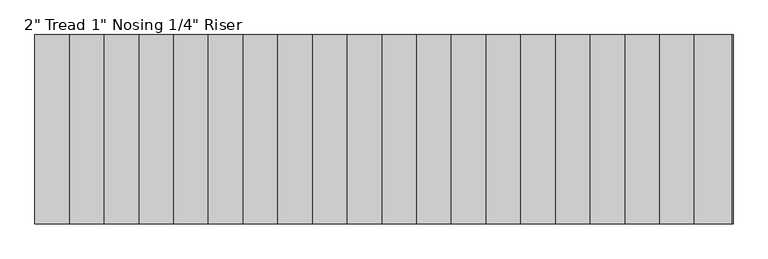
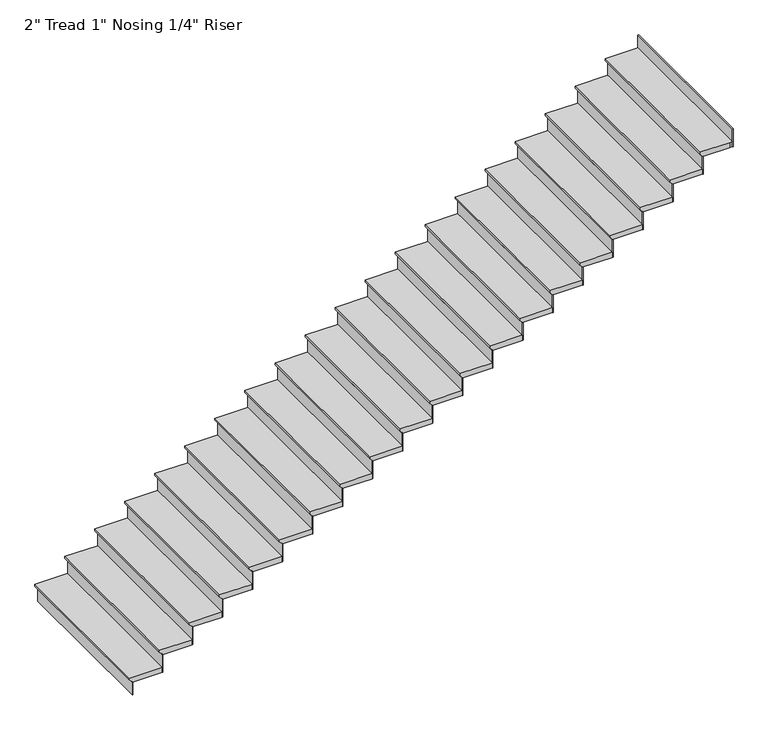
"""IFC4 building model written with IfcOpenShell, lengths in millimetres: stair flight geometry."""

from ifc_helpers import new_model, si_unit, origin, place, context, project, spatial, faceted_brep, source, transform, mapped, element, save


def stair_flight_4bc3ae99(model_context):
    return source(origin(), model_context, "Body", "Brep", [
        faceted_brep([(28329.3222188, -13326.4219315, -13103.147561), (28329.3222188, -13326.4219315, -13084.097561), (28329.3222188, -11802.4219315, -13084.097561), (28329.3222188, -11802.4219315, -13103.147561), (28354.7222188, -13326.4219315, -13128.547561), (28354.7222188, -11802.4219315, -13128.547561), (28634.1222188, -13326.4219315, -13084.097561), (28634.1222188, -11802.4219315, -13084.097561), (28354.7222188, -11802.4219315, -13134.897561), (28634.1222188, -11802.4219315, -13134.897561), (28634.1222188, -13326.4219315, -13134.897561), (28354.7222188, -13326.4219315, -13134.897561)], [[[0, 1, 2, 3]], [[4, 0, 3, 5]], [[2, 1, 6, 7]], [[8, 9, 10, 11]], [[2, 7, 9, 8, 5, 3]], [[8, 11, 4, 5]], [[6, 1, 0, 4, 11, 10]], [[7, 6, 10, 9]]]),
        faceted_brep([(28354.7222188, -13326.4219315, -13134.897561), (28354.7222188, -13326.4219315, -13258.8), (28361.0722188, -13326.4219315, -13258.8), (28361.0722188, -13326.4219315, -13134.897561), (28354.7222188, -11802.4219315, -13134.897561), (28361.0722188, -11802.4219315, -13134.897561), (28361.0722188, -11802.4219315, -13258.8), (28354.7222188, -11802.4219315, -13258.8)], [[[0, 1, 2, 3]], [[4, 5, 6, 7]], [[1, 0, 4, 7]], [[2, 1, 7, 6]], [[3, 2, 6, 5]], [[0, 3, 5, 4]]]),
        faceted_brep([(28634.1222188, -13326.4219315, -12960.195122), (28634.1222188, -13326.4219315, -13134.897561), (28640.4722188, -13326.4219315, -13134.897561), (28640.4722188, -13326.4219315, -12960.195122), (28634.1222188, -11802.4219315, -12960.195122), (28640.4722188, -11802.4219315, -12960.195122), (28640.4722188, -11802.4219315, -13134.897561), (28634.1222188, -11802.4219315, -13134.897561)], [[[0, 1, 2, 3]], [[4, 5, 6, 7]], [[1, 0, 4, 7]], [[2, 1, 7, 6]], [[3, 2, 6, 5]], [[0, 3, 5, 4]]]),
        faceted_brep([(28608.7222188, -11802.4219315, -12909.395122), (28608.7222188, -13326.4219315, -12909.395122), (28913.5222188, -13326.4219315, -12909.395122), (28913.5222188, -11802.4219315, -12909.395122), (28634.1222188, -11802.4219315, -12960.195122), (28913.5222188, -11802.4219315, -12960.195122), (28913.5222188, -13326.4219315, -12960.195122), (28634.1222188, -13326.4219315, -12960.195122), (28634.1222188, -11802.4219315, -12953.845122), (28608.7222188, -11802.4219315, -12928.445122), (28634.1222188, -13326.4219315, -12953.845122), (28608.7222188, -13326.4219315, -12928.445122)], [[[0, 1, 2, 3]], [[4, 5, 6, 7]], [[0, 3, 5, 4, 8, 9]], [[4, 7, 10, 8]], [[2, 1, 11, 10, 7, 6]], [[3, 2, 6, 5]], [[11, 1, 0, 9]], [[10, 11, 9, 8]]]),
        faceted_brep([(28913.5222188, -13326.4219315, -12785.4926829), (28913.5222188, -13326.4219315, -12960.195122), (28919.8722188, -13326.4219315, -12960.195122), (28919.8722188, -13326.4219315, -12785.4926829), (28913.5222188, -11802.4219315, -12785.4926829), (28919.8722188, -11802.4219315, -12785.4926829), (28919.8722188, -11802.4219315, -12960.195122), (28913.5222188, -11802.4219315, -12960.195122)], [[[0, 1, 2, 3]], [[4, 5, 6, 7]], [[1, 0, 4, 7]], [[2, 1, 7, 6]], [[3, 2, 6, 5]], [[0, 3, 5, 4]]]),
        faceted_brep([(28888.1222188, -11802.4219315, -12734.6926829), (28888.1222188, -13326.4219315, -12734.6926829), (29192.9222188, -13326.4219315, -12734.6926829), (29192.9222188, -11802.4219315, -12734.6926829), (28913.5222188, -11802.4219315, -12785.4926829), (29192.9222188, -11802.4219315, -12785.4926829), (29192.9222188, -13326.4219315, -12785.4926829), (28913.5222188, -13326.4219315, -12785.4926829), (28913.5222188, -11802.4219315, -12779.1426829), (28888.1222188, -11802.4219315, -12753.7426829), (28913.5222188, -13326.4219315, -12779.1426829), (28888.1222188, -13326.4219315, -12753.7426829)], [[[0, 1, 2, 3]], [[4, 5, 6, 7]], [[0, 3, 5, 4, 8, 9]], [[4, 7, 10, 8]], [[2, 1, 11, 10, 7, 6]], [[3, 2, 6, 5]], [[11, 1, 0, 9]], [[10, 11, 9, 8]]]),
        faceted_brep([(29192.9222188, -13326.4219315, -12610.7902439), (29192.9222188, -13326.4219315, -12785.4926829), (29199.2722188, -13326.4219315, -12785.4926829), (29199.2722188, -13326.4219315, -12610.7902439), (29192.9222188, -11802.4219315, -12610.7902439), (29199.2722188, -11802.4219315, -12610.7902439), (29199.2722188, -11802.4219315, -12785.4926829), (29192.9222188, -11802.4219315, -12785.4926829)], [[[0, 1, 2, 3]], [[4, 5, 6, 7]], [[1, 0, 4, 7]], [[2, 1, 7, 6]], [[3, 2, 6, 5]], [[0, 3, 5, 4]]]),
        faceted_brep([(29167.5222188, -11802.4219315, -12559.9902439), (29167.5222188, -13326.4219315, -12559.9902439), (29472.3222188, -13326.4219315, -12559.9902439), (29472.3222188, -11802.4219315, -12559.9902439), (29192.9222188, -11802.4219315, -12610.7902439), (29472.3222188, -11802.4219315, -12610.7902439), (29472.3222188, -13326.4219315, -12610.7902439), (29192.9222188, -13326.4219315, -12610.7902439), (29192.9222188, -11802.4219315, -12604.4402439), (29167.5222188, -11802.4219315, -12579.0402439), (29192.9222188, -13326.4219315, -12604.4402439), (29167.5222188, -13326.4219315, -12579.0402439)], [[[0, 1, 2, 3]], [[4, 5, 6, 7]], [[0, 3, 5, 4, 8, 9]], [[4, 7, 10, 8]], [[2, 1, 11, 10, 7, 6]], [[3, 2, 6, 5]], [[11, 1, 0, 9]], [[10, 11, 9, 8]]]),
        faceted_brep([(29472.3222188, -13326.4219315, -12436.0878049), (29472.3222188, -13326.4219315, -12610.7902439), (29478.6722188, -13326.4219315, -12610.7902439), (29478.6722188, -13326.4219315, -12436.0878049), (29472.3222188, -11802.4219315, -12436.0878049), (29478.6722188, -11802.4219315, -12436.0878049), (29478.6722188, -11802.4219315, -12610.7902439), (29472.3222188, -11802.4219315, -12610.7902439)], [[[0, 1, 2, 3]], [[4, 5, 6, 7]], [[1, 0, 4, 7]], [[2, 1, 7, 6]], [[3, 2, 6, 5]], [[0, 3, 5, 4]]]),
        faceted_brep([(29446.9222188, -11802.4219315, -12385.2878049), (29446.9222188, -13326.4219315, -12385.2878049), (29751.7222188, -13326.4219315, -12385.2878049), (29751.7222188, -11802.4219315, -12385.2878049), (29472.3222188, -11802.4219315, -12436.0878049), (29751.7222188, -11802.4219315, -12436.0878049), (29751.7222188, -13326.4219315, -12436.0878049), (29472.3222188, -13326.4219315, -12436.0878049), (29472.3222188, -11802.4219315, -12429.7378049), (29446.9222188, -11802.4219315, -12404.3378049), (29472.3222188, -13326.4219315, -12429.7378049), (29446.9222188, -13326.4219315, -12404.3378049)], [[[0, 1, 2, 3]], [[4, 5, 6, 7]], [[0, 3, 5, 4, 8, 9]], [[4, 7, 10, 8]], [[2, 1, 11, 10, 7, 6]], [[3, 2, 6, 5]], [[11, 1, 0, 9]], [[10, 11, 9, 8]]]),
        faceted_brep([(29751.7222188, -13326.4219315, -12261.3853659), (29751.7222188, -13326.4219315, -12436.0878049), (29758.0722188, -13326.4219315, -12436.0878049), (29758.0722188, -13326.4219315, -12261.3853659), (29751.7222188, -11802.4219315, -12261.3853659), (29758.0722188, -11802.4219315, -12261.3853659), (29758.0722188, -11802.4219315, -12436.0878049), (29751.7222188, -11802.4219315, -12436.0878049)], [[[0, 1, 2, 3]], [[4, 5, 6, 7]], [[1, 0, 4, 7]], [[2, 1, 7, 6]], [[3, 2, 6, 5]], [[0, 3, 5, 4]]]),
        faceted_brep([(29726.3222188, -11802.4219315, -12210.5853659), (29726.3222188, -13326.4219315, -12210.5853659), (30031.1222188, -13326.4219315, -12210.5853659), (30031.1222188, -11802.4219315, -12210.5853659), (29751.7222188, -11802.4219315, -12261.3853659), (30031.1222188, -11802.4219315, -12261.3853659), (30031.1222188, -13326.4219315, -12261.3853659), (29751.7222188, -13326.4219315, -12261.3853659), (29751.7222188, -11802.4219315, -12255.0353659), (29726.3222188, -11802.4219315, -12229.6353659), (29751.7222188, -13326.4219315, -12255.0353659), (29726.3222188, -13326.4219315, -12229.6353659)], [[[0, 1, 2, 3]], [[4, 5, 6, 7]], [[0, 3, 5, 4, 8, 9]], [[4, 7, 10, 8]], [[2, 1, 11, 10, 7, 6]], [[3, 2, 6, 5]], [[11, 1, 0, 9]], [[10, 11, 9, 8]]]),
        faceted_brep([(30031.1222188, -13326.4219315, -12086.6829268), (30031.1222188, -13326.4219315, -12261.3853659), (30037.4722188, -13326.4219315, -12261.3853659), (30037.4722188, -13326.4219315, -12086.6829268), (30031.1222188, -11802.4219315, -12086.6829268), (30037.4722188, -11802.4219315, -12086.6829268), (30037.4722188, -11802.4219315, -12261.3853659), (30031.1222188, -11802.4219315, -12261.3853659)], [[[0, 1, 2, 3]], [[4, 5, 6, 7]], [[1, 0, 4, 7]], [[2, 1, 7, 6]], [[3, 2, 6, 5]], [[0, 3, 5, 4]]]),
        faceted_brep([(30005.7222188, -11802.4219315, -12035.8829268), (30005.7222188, -13326.4219315, -12035.8829268), (30310.5222188, -13326.4219315, -12035.8829268), (30310.5222188, -11802.4219315, -12035.8829268), (30031.1222188, -11802.4219315, -12086.6829268), (30310.5222188, -11802.4219315, -12086.6829268), (30310.5222188, -13326.4219315, -12086.6829268), (30031.1222188, -13326.4219315, -12086.6829268), (30031.1222188, -11802.4219315, -12080.3329268), (30005.7222188, -11802.4219315, -12054.9329268), (30031.1222188, -13326.4219315, -12080.3329268), (30005.7222188, -13326.4219315, -12054.9329268)], [[[0, 1, 2, 3]], [[4, 5, 6, 7]], [[0, 3, 5, 4, 8, 9]], [[4, 7, 10, 8]], [[2, 1, 11, 10, 7, 6]], [[3, 2, 6, 5]], [[11, 1, 0, 9]], [[10, 11, 9, 8]]]),
        faceted_brep([(30310.5222188, -13326.4219315, -11911.9804878), (30310.5222188, -13326.4219315, -12086.6829268), (30316.8722188, -13326.4219315, -12086.6829268), (30316.8722188, -13326.4219315, -11911.9804878), (30310.5222188, -11802.4219315, -11911.9804878), (30316.8722188, -11802.4219315, -11911.9804878), (30316.8722188, -11802.4219315, -12086.6829268), (30310.5222188, -11802.4219315, -12086.6829268)], [[[0, 1, 2, 3]], [[4, 5, 6, 7]], [[1, 0, 4, 7]], [[2, 1, 7, 6]], [[3, 2, 6, 5]], [[0, 3, 5, 4]]]),
        faceted_brep([(30285.1222188, -11802.4219315, -11861.1804878), (30285.1222188, -13326.4219315, -11861.1804878), (30589.9222188, -13326.4219315, -11861.1804878), (30589.9222188, -11802.4219315, -11861.1804878), (30310.5222188, -11802.4219315, -11911.9804878), (30589.9222188, -11802.4219315, -11911.9804878), (30589.9222188, -13326.4219315, -11911.9804878), (30310.5222188, -13326.4219315, -11911.9804878), (30310.5222188, -11802.4219315, -11905.6304878), (30285.1222188, -11802.4219315, -11880.2304878), (30310.5222188, -13326.4219315, -11905.6304878), (30285.1222188, -13326.4219315, -11880.2304878)], [[[0, 1, 2, 3]], [[4, 5, 6, 7]], [[0, 3, 5, 4, 8, 9]], [[4, 7, 10, 8]], [[2, 1, 11, 10, 7, 6]], [[3, 2, 6, 5]], [[11, 1, 0, 9]], [[10, 11, 9, 8]]]),
        faceted_brep([(30589.9222188, -13326.4219315, -11737.2780488), (30589.9222188, -13326.4219315, -11911.9804878), (30596.2722188, -13326.4219315, -11911.9804878), (30596.2722188, -13326.4219315, -11737.2780488), (30589.9222188, -11802.4219315, -11737.2780488), (30596.2722188, -11802.4219315, -11737.2780488), (30596.2722188, -11802.4219315, -11911.9804878), (30589.9222188, -11802.4219315, -11911.9804878)], [[[0, 1, 2, 3]], [[4, 5, 6, 7]], [[1, 0, 4, 7]], [[2, 1, 7, 6]], [[3, 2, 6, 5]], [[0, 3, 5, 4]]]),
        faceted_brep([(30564.5222188, -11802.4219315, -11686.4780488), (30564.5222188, -13326.4219315, -11686.4780488), (30869.3222188, -13326.4219315, -11686.4780488), (30869.3222188, -11802.4219315, -11686.4780488), (30589.9222188, -11802.4219315, -11737.2780488), (30869.3222188, -11802.4219315, -11737.2780488), (30869.3222188, -13326.4219315, -11737.2780488), (30589.9222188, -13326.4219315, -11737.2780488), (30589.9222188, -11802.4219315, -11730.9280488), (30564.5222188, -11802.4219315, -11705.5280488), (30589.9222188, -13326.4219315, -11730.9280488), (30564.5222188, -13326.4219315, -11705.5280488)], [[[0, 1, 2, 3]], [[4, 5, 6, 7]], [[0, 3, 5, 4, 8, 9]], [[4, 7, 10, 8]], [[2, 1, 11, 10, 7, 6]], [[3, 2, 6, 5]], [[11, 1, 0, 9]], [[10, 11, 9, 8]]]),
        faceted_brep([(30869.3222188, -13326.4219315, -11562.5756098), (30869.3222188, -13326.4219315, -11737.2780488), (30875.6722188, -13326.4219315, -11737.2780488), (30875.6722188, -13326.4219315, -11562.5756098), (30869.3222188, -11802.4219315, -11562.5756098), (30875.6722188, -11802.4219315, -11562.5756098), (30875.6722188, -11802.4219315, -11737.2780488), (30869.3222188, -11802.4219315, -11737.2780488)], [[[0, 1, 2, 3]], [[4, 5, 6, 7]], [[1, 0, 4, 7]], [[2, 1, 7, 6]], [[3, 2, 6, 5]], [[0, 3, 5, 4]]]),
        faceted_brep([(30843.9222188, -11802.4219315, -11511.7756098), (30843.9222188, -13326.4219315, -11511.7756098), (31148.7222188, -13326.4219315, -11511.7756098), (31148.7222188, -11802.4219315, -11511.7756098), (30869.3222188, -11802.4219315, -11562.5756098), (31148.7222188, -11802.4219315, -11562.5756098), (31148.7222188, -13326.4219315, -11562.5756098), (30869.3222188, -13326.4219315, -11562.5756098), (30869.3222188, -11802.4219315, -11556.2256098), (30843.9222188, -11802.4219315, -11530.8256098), (30869.3222188, -13326.4219315, -11556.2256098), (30843.9222188, -13326.4219315, -11530.8256098)], [[[0, 1, 2, 3]], [[4, 5, 6, 7]], [[0, 3, 5, 4, 8, 9]], [[4, 7, 10, 8]], [[2, 1, 11, 10, 7, 6]], [[3, 2, 6, 5]], [[11, 1, 0, 9]], [[10, 11, 9, 8]]]),
        faceted_brep([(31148.7222188, -13326.4219315, -11387.8731707), (31148.7222188, -13326.4219315, -11562.5756098), (31155.0722188, -13326.4219315, -11562.5756098), (31155.0722188, -13326.4219315, -11387.8731707), (31148.7222188, -11802.4219315, -11387.8731707), (31155.0722188, -11802.4219315, -11387.8731707), (31155.0722188, -11802.4219315, -11562.5756098), (31148.7222188, -11802.4219315, -11562.5756098)], [[[0, 1, 2, 3]], [[4, 5, 6, 7]], [[1, 0, 4, 7]], [[2, 1, 7, 6]], [[3, 2, 6, 5]], [[0, 3, 5, 4]]]),
        faceted_brep([(31123.3222188, -11802.4219315, -11337.0731707), (31123.3222188, -13326.4219315, -11337.0731707), (31428.1222188, -13326.4219315, -11337.0731707), (31428.1222188, -11802.4219315, -11337.0731707), (31148.7222188, -11802.4219315, -11387.8731707), (31428.1222188, -11802.4219315, -11387.8731707), (31428.1222188, -13326.4219315, -11387.8731707), (31148.7222188, -13326.4219315, -11387.8731707), (31148.7222188, -11802.4219315, -11381.5231707), (31123.3222188, -11802.4219315, -11356.1231707), (31148.7222188, -13326.4219315, -11381.5231707), (31123.3222188, -13326.4219315, -11356.1231707)], [[[0, 1, 2, 3]], [[4, 5, 6, 7]], [[0, 3, 5, 4, 8, 9]], [[4, 7, 10, 8]], [[2, 1, 11, 10, 7, 6]], [[3, 2, 6, 5]], [[11, 1, 0, 9]], [[10, 11, 9, 8]]]),
        faceted_brep([(31428.1222188, -13326.4219315, -11213.1707317), (31428.1222188, -13326.4219315, -11387.8731707), (31434.4722188, -13326.4219315, -11387.8731707), (31434.4722188, -13326.4219315, -11213.1707317), (31428.1222188, -11802.4219315, -11213.1707317), (31434.4722188, -11802.4219315, -11213.1707317), (31434.4722188, -11802.4219315, -11387.8731707), (31428.1222188, -11802.4219315, -11387.8731707)], [[[0, 1, 2, 3]], [[4, 5, 6, 7]], [[1, 0, 4, 7]], [[2, 1, 7, 6]], [[3, 2, 6, 5]], [[0, 3, 5, 4]]]),
        faceted_brep([(31402.7222188, -11802.4219315, -11162.3707317), (31402.7222188, -13326.4219315, -11162.3707317), (31707.5222188, -13326.4219315, -11162.3707317), (31707.5222188, -11802.4219315, -11162.3707317), (31428.1222188, -11802.4219315, -11213.1707317), (31707.5222188, -11802.4219315, -11213.1707317), (31707.5222188, -13326.4219315, -11213.1707317), (31428.1222188, -13326.4219315, -11213.1707317), (31428.1222188, -11802.4219315, -11206.8207317), (31402.7222188, -11802.4219315, -11181.4207317), (31428.1222188, -13326.4219315, -11206.8207317), (31402.7222188, -13326.4219315, -11181.4207317)], [[[0, 1, 2, 3]], [[4, 5, 6, 7]], [[0, 3, 5, 4, 8, 9]], [[4, 7, 10, 8]], [[2, 1, 11, 10, 7, 6]], [[3, 2, 6, 5]], [[11, 1, 0, 9]], [[10, 11, 9, 8]]]),
        faceted_brep([(31707.5222188, -13326.4219315, -11038.4682927), (31707.5222188, -13326.4219315, -11213.1707317), (31713.8722188, -13326.4219315, -11213.1707317), (31713.8722188, -13326.4219315, -11038.4682927), (31707.5222188, -11802.4219315, -11038.4682927), (31713.8722188, -11802.4219315, -11038.4682927), (31713.8722188, -11802.4219315, -11213.1707317), (31707.5222188, -11802.4219315, -11213.1707317)], [[[0, 1, 2, 3]], [[4, 5, 6, 7]], [[1, 0, 4, 7]], [[2, 1, 7, 6]], [[3, 2, 6, 5]], [[0, 3, 5, 4]]]),
        faceted_brep([(31682.1222188, -11802.4219315, -10987.6682927), (31682.1222188, -13326.4219315, -10987.6682927), (31986.9222188, -13326.4219315, -10987.6682927), (31986.9222188, -11802.4219315, -10987.6682927), (31707.5222188, -11802.4219315, -11038.4682927), (31986.9222188, -11802.4219315, -11038.4682927), (31986.9222188, -13326.4219315, -11038.4682927), (31707.5222188, -13326.4219315, -11038.4682927), (31707.5222188, -11802.4219315, -11032.1182927), (31682.1222188, -11802.4219315, -11006.7182927), (31707.5222188, -13326.4219315, -11032.1182927), (31682.1222188, -13326.4219315, -11006.7182927)], [[[0, 1, 2, 3]], [[4, 5, 6, 7]], [[0, 3, 5, 4, 8, 9]], [[4, 7, 10, 8]], [[2, 1, 11, 10, 7, 6]], [[3, 2, 6, 5]], [[11, 1, 0, 9]], [[10, 11, 9, 8]]]),
        faceted_brep([(31986.9222188, -13326.4219315, -10863.7658537), (31986.9222188, -13326.4219315, -11038.4682927), (31993.2722188, -13326.4219315, -11038.4682927), (31993.2722188, -13326.4219315, -10863.7658537), (31986.9222188, -11802.4219315, -10863.7658537), (31993.2722188, -11802.4219315, -10863.7658537), (31993.2722188, -11802.4219315, -11038.4682927), (31986.9222188, -11802.4219315, -11038.4682927)], [[[0, 1, 2, 3]], [[4, 5, 6, 7]], [[1, 0, 4, 7]], [[2, 1, 7, 6]], [[3, 2, 6, 5]], [[0, 3, 5, 4]]]),
        faceted_brep([(31961.5222188, -11802.4219315, -10812.9658537), (31961.5222188, -13326.4219315, -10812.9658537), (32266.3222188, -13326.4219315, -10812.9658537), (32266.3222188, -11802.4219315, -10812.9658537), (31986.9222188, -11802.4219315, -10863.7658537), (32266.3222188, -11802.4219315, -10863.7658537), (32266.3222188, -13326.4219315, -10863.7658537), (31986.9222188, -13326.4219315, -10863.7658537), (31986.9222188, -11802.4219315, -10857.4158537), (31961.5222188, -11802.4219315, -10832.0158537), (31986.9222188, -13326.4219315, -10857.4158537), (31961.5222188, -13326.4219315, -10832.0158537)], [[[0, 1, 2, 3]], [[4, 5, 6, 7]], [[0, 3, 5, 4, 8, 9]], [[4, 7, 10, 8]], [[2, 1, 11, 10, 7, 6]], [[3, 2, 6, 5]], [[11, 1, 0, 9]], [[10, 11, 9, 8]]]),
        faceted_brep([(32266.3222188, -13326.4219315, -10689.0634146), (32266.3222188, -13326.4219315, -10863.7658537), (32272.6722188, -13326.4219315, -10863.7658537), (32272.6722188, -13326.4219315, -10689.0634146), (32266.3222188, -11802.4219315, -10689.0634146), (32272.6722188, -11802.4219315, -10689.0634146), (32272.6722188, -11802.4219315, -10863.7658537), (32266.3222188, -11802.4219315, -10863.7658537)], [[[0, 1, 2, 3]], [[4, 5, 6, 7]], [[1, 0, 4, 7]], [[2, 1, 7, 6]], [[3, 2, 6, 5]], [[0, 3, 5, 4]]]),
        faceted_brep([(32240.9222188, -11802.4219315, -10638.2634146), (32240.9222188, -13326.4219315, -10638.2634146), (32545.7222188, -13326.4219315, -10638.2634146), (32545.7222188, -11802.4219315, -10638.2634146), (32266.3222188, -11802.4219315, -10689.0634146), (32545.7222188, -11802.4219315, -10689.0634146), (32545.7222188, -13326.4219315, -10689.0634146), (32266.3222188, -13326.4219315, -10689.0634146), (32266.3222188, -11802.4219315, -10682.7134146), (32240.9222188, -11802.4219315, -10657.3134146), (32266.3222188, -13326.4219315, -10682.7134146), (32240.9222188, -13326.4219315, -10657.3134146)], [[[0, 1, 2, 3]], [[4, 5, 6, 7]], [[0, 3, 5, 4, 8, 9]], [[4, 7, 10, 8]], [[2, 1, 11, 10, 7, 6]], [[3, 2, 6, 5]], [[11, 1, 0, 9]], [[10, 11, 9, 8]]]),
        faceted_brep([(32545.7222188, -13326.4219315, -10514.3609756), (32545.7222188, -13326.4219315, -10689.0634146), (32552.0722188, -13326.4219315, -10689.0634146), (32552.0722188, -13326.4219315, -10514.3609756), (32545.7222188, -11802.4219315, -10514.3609756), (32552.0722188, -11802.4219315, -10514.3609756), (32552.0722188, -11802.4219315, -10689.0634146), (32545.7222188, -11802.4219315, -10689.0634146)], [[[0, 1, 2, 3]], [[4, 5, 6, 7]], [[1, 0, 4, 7]], [[2, 1, 7, 6]], [[3, 2, 6, 5]], [[0, 3, 5, 4]]]),
        faceted_brep([(32520.3222188, -11802.4219315, -10463.5609756), (32520.3222188, -13326.4219315, -10463.5609756), (32825.1222188, -13326.4219315, -10463.5609756), (32825.1222188, -11802.4219315, -10463.5609756), (32545.7222188, -11802.4219315, -10514.3609756), (32825.1222188, -11802.4219315, -10514.3609756), (32825.1222188, -13326.4219315, -10514.3609756), (32545.7222188, -13326.4219315, -10514.3609756), (32545.7222188, -11802.4219315, -10508.0109756), (32520.3222188, -11802.4219315, -10482.6109756), (32545.7222188, -13326.4219315, -10508.0109756), (32520.3222188, -13326.4219315, -10482.6109756)], [[[0, 1, 2, 3]], [[4, 5, 6, 7]], [[0, 3, 5, 4, 8, 9]], [[4, 7, 10, 8]], [[2, 1, 11, 10, 7, 6]], [[3, 2, 6, 5]], [[11, 1, 0, 9]], [[10, 11, 9, 8]]]),
        faceted_brep([(32825.1222188, -13326.4219315, -10339.6585366), (32825.1222188, -13326.4219315, -10514.3609756), (32831.4722188, -13326.4219315, -10514.3609756), (32831.4722188, -13326.4219315, -10339.6585366), (32825.1222188, -11802.4219315, -10339.6585366), (32831.4722188, -11802.4219315, -10339.6585366), (32831.4722188, -11802.4219315, -10514.3609756), (32825.1222188, -11802.4219315, -10514.3609756)], [[[0, 1, 2, 3]], [[4, 5, 6, 7]], [[1, 0, 4, 7]], [[2, 1, 7, 6]], [[3, 2, 6, 5]], [[0, 3, 5, 4]]]),
        faceted_brep([(32799.7222188, -11802.4219315, -10288.8585366), (32799.7222188, -13326.4219315, -10288.8585366), (33104.5222188, -13326.4219315, -10288.8585366), (33104.5222188, -11802.4219315, -10288.8585366), (32825.1222188, -11802.4219315, -10339.6585366), (33104.5222188, -11802.4219315, -10339.6585366), (33104.5222188, -13326.4219315, -10339.6585366), (32825.1222188, -13326.4219315, -10339.6585366), (32825.1222188, -11802.4219315, -10333.3085366), (32799.7222188, -11802.4219315, -10307.9085366), (32825.1222188, -13326.4219315, -10333.3085366), (32799.7222188, -13326.4219315, -10307.9085366)], [[[0, 1, 2, 3]], [[4, 5, 6, 7]], [[0, 3, 5, 4, 8, 9]], [[4, 7, 10, 8]], [[2, 1, 11, 10, 7, 6]], [[3, 2, 6, 5]], [[11, 1, 0, 9]], [[10, 11, 9, 8]]]),
        faceted_brep([(33104.5222188, -13326.4219315, -10164.9560976), (33104.5222188, -13326.4219315, -10339.6585366), (33110.8722188, -13326.4219315, -10339.6585366), (33110.8722188, -13326.4219315, -10164.9560976), (33104.5222188, -11802.4219315, -10164.9560976), (33110.8722188, -11802.4219315, -10164.9560976), (33110.8722188, -11802.4219315, -10339.6585366), (33104.5222188, -11802.4219315, -10339.6585366)], [[[0, 1, 2, 3]], [[4, 5, 6, 7]], [[1, 0, 4, 7]], [[2, 1, 7, 6]], [[3, 2, 6, 5]], [[0, 3, 5, 4]]]),
        faceted_brep([(33079.1222188, -11802.4219315, -10114.1560976), (33079.1222188, -13326.4219315, -10114.1560976), (33383.9222188, -13326.4219315, -10114.1560976), (33383.9222188, -11802.4219315, -10114.1560976), (33104.5222188, -11802.4219315, -10164.9560976), (33383.9222188, -11802.4219315, -10164.9560976), (33383.9222188, -13326.4219315, -10164.9560976), (33104.5222188, -13326.4219315, -10164.9560976), (33104.5222188, -11802.4219315, -10158.6060976), (33079.1222188, -11802.4219315, -10133.2060976), (33104.5222188, -13326.4219315, -10158.6060976), (33079.1222188, -13326.4219315, -10133.2060976)], [[[0, 1, 2, 3]], [[4, 5, 6, 7]], [[0, 3, 5, 4, 8, 9]], [[4, 7, 10, 8]], [[2, 1, 11, 10, 7, 6]], [[3, 2, 6, 5]], [[11, 1, 0, 9]], [[10, 11, 9, 8]]]),
        faceted_brep([(33383.9222188, -13326.4219315, -9990.2536585), (33383.9222188, -13326.4219315, -10164.9560976), (33390.2722188, -13326.4219315, -10164.9560976), (33390.2722188, -13326.4219315, -9990.2536585), (33383.9222188, -11802.4219315, -9990.2536585), (33390.2722188, -11802.4219315, -9990.2536585), (33390.2722188, -11802.4219315, -10164.9560976), (33383.9222188, -11802.4219315, -10164.9560976)], [[[0, 1, 2, 3]], [[4, 5, 6, 7]], [[1, 0, 4, 7]], [[2, 1, 7, 6]], [[3, 2, 6, 5]], [[0, 3, 5, 4]]]),
        faceted_brep([(33358.5222188, -11802.4219315, -9939.4536585), (33358.5222188, -13326.4219315, -9939.4536585), (33663.3222188, -13326.4219315, -9939.4536585), (33663.3222188, -11802.4219315, -9939.4536585), (33383.9222188, -11802.4219315, -9990.2536585), (33663.3222188, -11802.4219315, -9990.2536585), (33663.3222188, -13326.4219315, -9990.2536585), (33383.9222188, -13326.4219315, -9990.2536585), (33383.9222188, -11802.4219315, -9983.9036585), (33358.5222188, -11802.4219315, -9958.5036585), (33383.9222188, -13326.4219315, -9983.9036585), (33358.5222188, -13326.4219315, -9958.5036585)], [[[0, 1, 2, 3]], [[4, 5, 6, 7]], [[0, 3, 5, 4, 8, 9]], [[4, 7, 10, 8]], [[2, 1, 11, 10, 7, 6]], [[3, 2, 6, 5]], [[11, 1, 0, 9]], [[10, 11, 9, 8]]]),
        faceted_brep([(33942.7222188, -13326.4219315, -9640.8487805), (33942.7222188, -13326.4219315, -9815.5512195), (33949.0722188, -13326.4219315, -9815.5512195), (33949.0722188, -13326.4219315, -9640.8487805), (33942.7222188, -11802.4219315, -9640.8487805), (33949.0722188, -11802.4219315, -9640.8487805), (33949.0722188, -11802.4219315, -9815.5512195), (33942.7222188, -11802.4219315, -9815.5512195)], [[[0, 1, 2, 3]], [[4, 5, 6, 7]], [[1, 0, 4, 7]], [[2, 1, 7, 6]], [[3, 2, 6, 5]], [[0, 3, 5, 4]]]),
        faceted_brep([(33663.3222188, -13326.4219315, -9815.5512195), (33663.3222188, -13326.4219315, -9990.2536585), (33669.6722188, -13326.4219315, -9990.2536585), (33669.6722188, -13326.4219315, -9815.5512195), (33663.3222188, -11802.4219315, -9815.5512195), (33669.6722188, -11802.4219315, -9815.5512195), (33669.6722188, -11802.4219315, -9990.2536585), (33663.3222188, -11802.4219315, -9990.2536585)], [[[0, 1, 2, 3]], [[4, 5, 6, 7]], [[1, 0, 4, 7]], [[2, 1, 7, 6]], [[3, 2, 6, 5]], [[0, 3, 5, 4]]]),
        faceted_brep([(33942.7222188, -11802.4219315, -9764.7512195), (33917.3222188, -11802.4219315, -9764.7512195), (33637.9222188, -11802.4219315, -9764.7512195), (33637.9222188, -13326.4219315, -9764.7512195), (33917.3222188, -13326.4219315, -9764.7512195), (33942.7222188, -13326.4219315, -9764.7512195), (33917.3222188, -11802.4219315, -9815.5512195), (33942.7222188, -11802.4219315, -9815.5512195), (33942.7222188, -13326.4219315, -9815.5512195), (33917.3222188, -13326.4219315, -9815.5512195), (33663.3222188, -13326.4219315, -9815.5512195), (33663.3222188, -11802.4219315, -9815.5512195), (33663.3222188, -11802.4219315, -9809.2012195), (33637.9222188, -11802.4219315, -9783.8012195), (33663.3222188, -13326.4219315, -9809.2012195), (33637.9222188, -13326.4219315, -9783.8012195)], [[[0, 1, 2, 3, 4, 5]], [[6, 7, 8, 9, 10, 11]], [[1, 0, 7, 6]], [[2, 1, 6, 11, 12, 13]], [[11, 10, 14, 12]], [[4, 3, 15, 14, 10, 9]], [[5, 4, 9, 8]], [[0, 5, 8, 7]], [[15, 3, 2, 13]], [[14, 15, 13, 12]]]),
    ])


if __name__ == "__main__":
    model = new_model("IFC4")
    model_context = context("Model", 3, world=origin())
    ifc_project = project(units=[si_unit("LENGTHUNIT", "METRE", prefix="MILLI")], contexts=[model_context])
    site = spatial("IfcSite", under=ifc_project)
    building = spatial("IfcBuilding", under=site)
    placement = place(None, origin())
    stair_flight_shape = stair_flight_4bc3ae99(model_context)
    element("IfcStairFlight", 1, ObjectType="2\" Tread 1\" Nosing 1/4\" Riser", at=placement, inside=building, context=model_context, shape_type="MappedRepresentation", body=[
        mapped(stair_flight_shape, transform((0.0, 0.0, 0.0), x_axis=(1.0, 0.0, 0.0), y_axis=(0.0, 1.0, 0.0), z_axis=(0.0, 0.0, 1.0))),
    ])
    save(model, "model.ifc")
